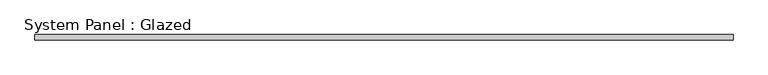
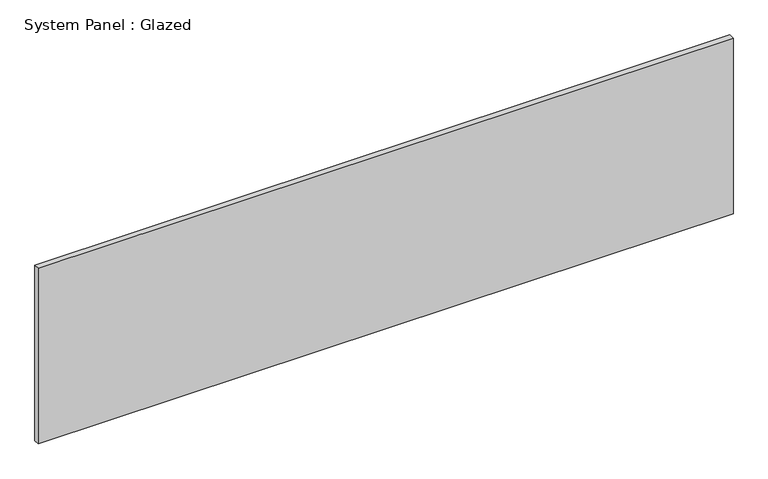
"""IFC4 building model written with IfcOpenShell, lengths in millimetres: plate geometry, System Panel : Glazed."""

from ifc_helpers import new_model, si_unit, origin, origin_with_axes, place, context, project, spatial, polyline, outline, extrude, source, transform, mapped, element, save


def system_panel_glazed_7c93acca(model_context):
    return source(origin(), model_context, "Body", "SweptSolid", [
        extrude(outline(polyline([(1590.1429847, 24.5), (-1590.1429847, 24.5), (-1590.1429847, 49.5), (1590.1429847, 49.5), (1590.1429847, 24.5)])), origin_with_axes(), (0.0, 0.0, 1.0), 850.0),
    ])


if __name__ == "__main__":
    model = new_model("IFC4")
    model_context = context("Model", 3, world=origin())
    ifc_project = project(units=[si_unit("LENGTHUNIT", "METRE", prefix="MILLI")], contexts=[model_context])
    site = spatial("IfcSite", under=ifc_project)
    building = spatial("IfcBuilding", under=site)
    placement = place(None, origin())
    system_panel_glazed_shape = system_panel_glazed_7c93acca(model_context)
    element("IfcPlate", 1, ObjectType="System Panel : Glazed", at=placement, inside=building, context=model_context, shape_type="MappedRepresentation", body=[
        mapped(system_panel_glazed_shape, transform((0.0, 0.0, 0.0), x_axis=(1.0, 0.0, 0.0), y_axis=(0.0, 1.0, 0.0), z_axis=(0.0, 0.0, 1.0))),
    ])
    save(model, "model.ifc")
